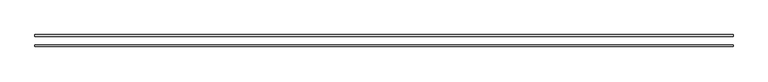
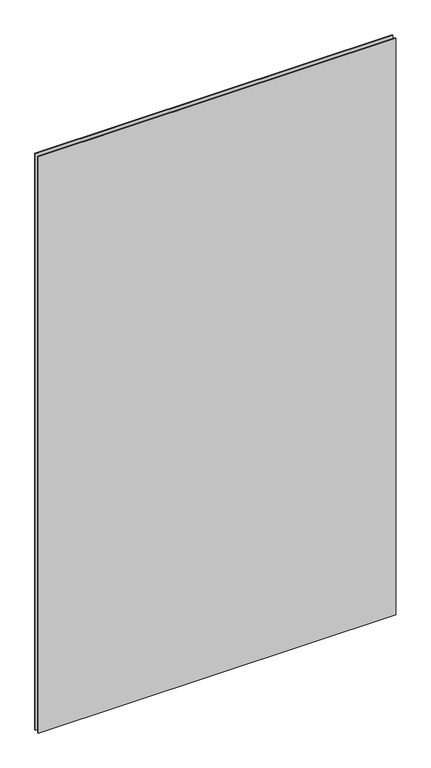
"""IFC4 building model written with IfcOpenShell, lengths in millimetres: plate geometry."""

from ifc_helpers import new_model, si_unit, origin, origin_with_axes, place, context, project, spatial, polyline, outline, extrude, source, transform, mapped, element, save


def plate_b50e8ee4(model_context):
    return source(origin(), model_context, "Body", "SweptSolid", [
        extrude(outline(polyline([(-2340.6, -79.0), (-2340.6, -67.0), (2340.6, -67.0), (2340.6, -79.0), (-2340.6, -79.0)])), origin_with_axes(), (0.0, 0.0, 1.0), 7987.2),
        extrude(outline(polyline([(-2340.6, -10.0), (-2340.6, 2.0), (2340.6, 2.0), (2340.6, -10.0), (-2340.6, -10.0)])), origin_with_axes(), (0.0, 0.0, 1.0), 7987.2),
    ])


if __name__ == "__main__":
    model = new_model("IFC4")
    model_context = context("Model", 3, world=origin())
    ifc_project = project(units=[si_unit("LENGTHUNIT", "METRE", prefix="MILLI")], contexts=[model_context])
    site = spatial("IfcSite", under=ifc_project)
    building = spatial("IfcBuilding", under=site)
    placement = place(None, origin())
    plate_shape = plate_b50e8ee4(model_context)
    element("IfcPlate", 1, at=placement, inside=building, context=model_context, shape_type="MappedRepresentation", body=[
        mapped(plate_shape, transform((0.0, 0.0, 0.0), x_axis=(1.0, 0.0, 0.0), y_axis=(0.0, 1.0, 0.0), z_axis=(0.0, 0.0, 1.0))),
    ])
    save(model, "model.ifc")
